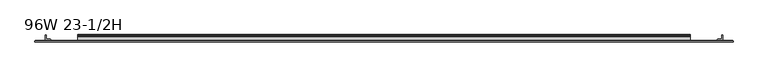
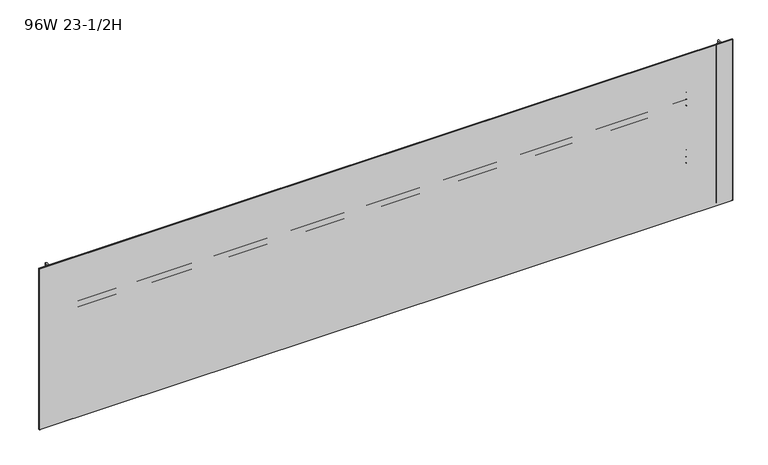
"""IFC4 building model written with IfcOpenShell, lengths in millimetres: furniture geometry, 96W 23-1/2H."""

from ifc_helpers import new_model, si_unit, point, frame, frame_2d, origin, place, context, project, spatial, polyline, circle_curve, trimmed, segment, composite_curve, outline, extrude, faceted_brep, source, transform, mapped, element, save


def furniture_96w_23_1_2h_a54c2da4(model_context):
    return source(origin(), model_context, "Body", "SolidModel", [
        extrude(outline(composite_curve([segment(polyline([(-5.2324, 902.4059175), (-5.2324, 923.5244434)]), True, "CONTINUOUS"), segment(trimmed(circle_curve(frame_2d((-4.677496, 923.5244434)), 0.554904), [point((-5.2324, 923.5244434))], [point((-4.5338691, 924.0604377))], False, "CARTESIAN"), True, "CONTINUOUS"), segment(polyline([(-4.5338691, 924.0604377), (-3.3274001, 923.7371481), (-2.3976956, 922.807481), (-2.0574001, 921.5374277), (-2.0574001, 908.7676431)]), True, "CONTINUOUS"), segment(trimmed(circle_curve(frame_2d((-1.4921701, 908.7676431)), 0.5652299), [point((-2.0574001, 908.7676431))], [point((-1.4921701, 908.2024132))], True, "CARTESIAN"), True, "CONTINUOUS"), segment(polyline([(-1.4921701, 908.2024132), (0.5143951, 908.2024132)]), True, "CONTINUOUS"), segment(trimmed(circle_curve(frame_2d((0.5143951, 907.5992083)), 0.6032049), [point((0.5143951, 908.2024132))], [point((1.1176, 907.5992083))], False, "CARTESIAN"), True, "CONTINUOUS"), segment(polyline([(1.1176, 907.5992083), (1.1176, 876.4846046)]), True, "CONTINUOUS"), segment(trimmed(circle_curve(frame_2d((0.6637885, 879.1738096)), 2.7272272), [point((1.1176, 876.4846046))], [point((-2.0574001, 878.9924229))], False, "CARTESIAN"), True, "CONTINUOUS"), segment(polyline([(-2.0574001, 878.9924229), (-2.0574001, 901.3081717)]), True, "CONTINUOUS"), segment(trimmed(circle_curve(frame_2d((-2.6016657, 901.3081717)), 0.5442657), [point((-2.0574001, 901.3081717))], [point((-2.6016657, 901.8524374))], True, "CARTESIAN"), True, "CONTINUOUS"), segment(polyline([(-2.6016657, 901.8524374), (-4.6789199, 901.8524374)]), True, "CONTINUOUS"), segment(trimmed(circle_curve(frame_2d((-4.6789199, 902.4059175)), 0.5534801), [point((-4.6789199, 901.8524374))], [point((-5.2324, 902.4059175))], False, "CARTESIAN"), True, "CONTINUOUS")], self_intersect=False)), frame((152.4, 0.0, 0.0), z_axis=(1.0, 0.0, 0.0), x_axis=(0.0, 1.0, 0.0)), (0.0, 0.0, 1.0), 2133.6),
        extrude(outline(composite_curve([segment(polyline([(-7.1373999, 955.8274132), (-4.5974, 955.1468588), (-2.7379909, 953.2874519), (-2.0574001, 950.747418), (-2.0574001, 929.1337352)]), True, "CONTINUOUS"), segment(trimmed(circle_curve(frame_2d((-1.4969277, 929.1337352)), 0.5604724), [point((-2.0574001, 929.1337352))], [point((-1.4969277, 928.5732628))], True, "CARTESIAN"), True, "CONTINUOUS"), segment(polyline([(-1.4969277, 928.5732628), (0.4039455, 928.5732628)]), True, "CONTINUOUS"), segment(trimmed(circle_curve(frame_2d((0.4039455, 927.8596084)), 0.7136544), [point((0.4039455, 928.5732628))], [point((1.1176, 927.8596084))], False, "CARTESIAN"), True, "CONTINUOUS"), segment(polyline([(1.1176, 927.8596084), (1.1176, 909.5034694)]), True, "CONTINUOUS"), segment(trimmed(circle_curve(frame_2d((0.4746932, 909.5034694)), 0.6429068), [point((1.1176, 909.5034694))], [point((-0.1003385, 909.2159495))], False, "CARTESIAN"), True, "CONTINUOUS"), segment(polyline([(-0.1003385, 909.2159495), (-1.8183367, 912.6518984)]), True, "CONTINUOUS"), segment(trimmed(circle_curve(frame_2d((0.2069874, 913.6645745)), 2.2643874), [point((-1.8183367, 912.6518984))], [point((-2.0574001, 913.6645745))], False, "CARTESIAN"), True, "CONTINUOUS"), segment(polyline([(-2.0574001, 913.6645745), (-2.0574001, 923.3402528)]), True, "CONTINUOUS"), segment(trimmed(circle_curve(frame_2d((-2.7946089, 923.3402528)), 0.7372088), [point((-2.0574001, 923.3402528))], [point((-2.7946089, 924.0774616))], True, "CARTESIAN"), True, "CONTINUOUS"), segment(polyline([(-2.7946089, 924.0774616), (-19.4564001, 924.0774616), (-19.4564001, 955.8274132), (-7.1373999, 955.8274132)]), True, "CONTINUOUS")], self_intersect=False), holes=[composite_curve([segment(trimmed(circle_curve(frame_2d((-13.0222745, 950.5363262)), 2.7511257), [point((-13.0222745, 953.2874519))], [point((-15.7734002, 950.5363262))], True, "CARTESIAN"), True, "CONTINUOUS"), segment(polyline([(-15.7734002, 950.5363262), (-15.7734002, 929.2014781)]), True, "CONTINUOUS"), segment(trimmed(circle_curve(frame_2d((-13.189345, 929.2014781)), 2.5840552), [point((-15.7734002, 929.2014781))], [point((-13.189345, 926.6174229))], True, "CARTESIAN"), True, "CONTINUOUS"), segment(polyline([(-13.189345, 926.6174229), (-7.4218653, 926.6174229)]), True, "CONTINUOUS"), segment(trimmed(circle_curve(frame_2d((-7.4218653, 929.4418881)), 2.8244652), [point((-7.4218653, 926.6174229))], [point((-4.5974, 929.4418881))], True, "CARTESIAN"), True, "CONTINUOUS"), segment(polyline([(-4.5974, 929.4418881), (-4.5974, 950.6103081)]), True, "CONTINUOUS"), segment(trimmed(circle_curve(frame_2d((-7.2745438, 950.6103081)), 2.6771438), [point((-4.5974, 950.6103081))], [point((-7.2745438, 953.2874519))], True, "CARTESIAN"), True, "CONTINUOUS"), segment(polyline([(-7.2745438, 953.2874519), (-13.0222745, 953.2874519)]), True, "CONTINUOUS")], self_intersect=False)]), frame((152.4, 0.0, 0.0), z_axis=(1.0, 0.0, 0.0), x_axis=(0.0, 1.0, 0.0)), (0.0, 0.0, 1.0), 2133.6),
        extrude(outline(composite_curve([segment(polyline([(-5.2324, 1115.1182044), (-5.2324, 1136.2367302)]), True, "CONTINUOUS"), segment(trimmed(circle_curve(frame_2d((-4.677496, 1136.2367302)), 0.554904), [point((-5.2324, 1136.2367302))], [point((-4.5338691, 1136.7727245))], False, "CARTESIAN"), True, "CONTINUOUS"), segment(polyline([(-4.5338691, 1136.7727245), (-3.3274001, 1136.4494349), (-2.3976956, 1135.5197678), (-2.0574001, 1134.2497145), (-2.0574001, 1121.4799299)]), True, "CONTINUOUS"), segment(trimmed(circle_curve(frame_2d((-1.4921701, 1121.4799299)), 0.5652299), [point((-2.0574001, 1121.4799299))], [point((-1.4921701, 1120.9147))], True, "CARTESIAN"), True, "CONTINUOUS"), segment(polyline([(-1.4921701, 1120.9147), (0.5143951, 1120.9147)]), True, "CONTINUOUS"), segment(trimmed(circle_curve(frame_2d((0.5143951, 1120.3114951)), 0.6032049), [point((0.5143951, 1120.9147))], [point((1.1176, 1120.3114951))], False, "CARTESIAN"), True, "CONTINUOUS"), segment(polyline([(1.1176, 1120.3114951), (1.1176, 1089.1968914)]), True, "CONTINUOUS"), segment(trimmed(circle_curve(frame_2d((0.6637885, 1091.8860964)), 2.7272272), [point((1.1176, 1089.1968914))], [point((-2.0574001, 1091.7047097))], False, "CARTESIAN"), True, "CONTINUOUS"), segment(polyline([(-2.0574001, 1091.7047097), (-2.0574001, 1114.0204586)]), True, "CONTINUOUS"), segment(trimmed(circle_curve(frame_2d((-2.6016657, 1114.0204586)), 0.5442657), [point((-2.0574001, 1114.0204586))], [point((-2.6016657, 1114.5647242))], True, "CARTESIAN"), True, "CONTINUOUS"), segment(polyline([(-2.6016657, 1114.5647242), (-4.6789199, 1114.5647242)]), True, "CONTINUOUS"), segment(trimmed(circle_curve(frame_2d((-4.6789199, 1115.1182044)), 0.5534801), [point((-4.6789199, 1114.5647242))], [point((-5.2324, 1115.1182044))], False, "CARTESIAN"), True, "CONTINUOUS")], self_intersect=False)), frame((152.4, 0.0, 0.0), z_axis=(1.0, 0.0, 0.0), x_axis=(0.0, 1.0, 0.0)), (0.0, 0.0, 1.0), 2133.6),
        extrude(outline(composite_curve([segment(polyline([(-7.1373999, 1168.5397), (-4.5974, 1167.8591456), (-2.7379909, 1165.9997388), (-2.0574001, 1163.4597048), (-2.0574001, 1141.846022)]), True, "CONTINUOUS"), segment(trimmed(circle_curve(frame_2d((-1.4969277, 1141.846022)), 0.5604724), [point((-2.0574001, 1141.846022))], [point((-1.4969277, 1141.2855496))], True, "CARTESIAN"), True, "CONTINUOUS"), segment(polyline([(-1.4969277, 1141.2855496), (0.4039455, 1141.2855496)]), True, "CONTINUOUS"), segment(trimmed(circle_curve(frame_2d((0.4039455, 1140.5718952)), 0.7136544), [point((0.4039455, 1141.2855496))], [point((1.1176, 1140.5718952))], False, "CARTESIAN"), True, "CONTINUOUS"), segment(polyline([(1.1176, 1140.5718952), (1.1176, 1122.2157562)]), True, "CONTINUOUS"), segment(trimmed(circle_curve(frame_2d((0.4746932, 1122.2157562)), 0.6429068), [point((1.1176, 1122.2157562))], [point((-0.1003385, 1121.9282364))], False, "CARTESIAN"), True, "CONTINUOUS"), segment(polyline([(-0.1003385, 1121.9282364), (-1.8183367, 1125.3641852)]), True, "CONTINUOUS"), segment(trimmed(circle_curve(frame_2d((0.2069874, 1126.3768613)), 2.2643874), [point((-1.8183367, 1125.3641852))], [point((-2.0574001, 1126.3768613))], False, "CARTESIAN"), True, "CONTINUOUS"), segment(polyline([(-2.0574001, 1126.3768613), (-2.0574001, 1136.0525396)]), True, "CONTINUOUS"), segment(trimmed(circle_curve(frame_2d((-2.7946089, 1136.0525396)), 0.7372088), [point((-2.0574001, 1136.0525396))], [point((-2.7946089, 1136.7897484))], True, "CARTESIAN"), True, "CONTINUOUS"), segment(polyline([(-2.7946089, 1136.7897484), (-19.4564001, 1136.7897484), (-19.4564001, 1168.5397), (-7.1373999, 1168.5397)]), True, "CONTINUOUS")], self_intersect=False), holes=[composite_curve([segment(trimmed(circle_curve(frame_2d((-13.0222745, 1163.248613)), 2.7511257), [point((-13.0222745, 1165.9997388))], [point((-15.7734002, 1163.248613))], True, "CARTESIAN"), True, "CONTINUOUS"), segment(polyline([(-15.7734002, 1163.248613), (-15.7734002, 1141.9137649)]), True, "CONTINUOUS"), segment(trimmed(circle_curve(frame_2d((-13.189345, 1141.9137649)), 2.5840552), [point((-15.7734002, 1141.9137649))], [point((-13.189345, 1139.3297097))], True, "CARTESIAN"), True, "CONTINUOUS"), segment(polyline([(-13.189345, 1139.3297097), (-7.4218653, 1139.3297097)]), True, "CONTINUOUS"), segment(trimmed(circle_curve(frame_2d((-7.4218653, 1142.1541749)), 2.8244652), [point((-7.4218653, 1139.3297097))], [point((-4.5974, 1142.1541749))], True, "CARTESIAN"), True, "CONTINUOUS"), segment(polyline([(-4.5974, 1142.1541749), (-4.5974, 1163.322595)]), True, "CONTINUOUS"), segment(trimmed(circle_curve(frame_2d((-7.2745438, 1163.322595)), 2.6771438), [point((-4.5974, 1163.322595))], [point((-7.2745438, 1165.9997388))], True, "CARTESIAN"), True, "CONTINUOUS"), segment(polyline([(-7.2745438, 1165.9997388), (-13.0222745, 1165.9997388)]), True, "CONTINUOUS")], self_intersect=False)]), frame((152.4, 0.0, 0.0), z_axis=(1.0, 0.0, 0.0), x_axis=(0.0, 1.0, 0.0)), (0.0, 0.0, 1.0), 2133.6),
        extrude(outline(composite_curve([segment(trimmed(circle_curve(frame_2d((2399.7524764, -18.9088765)), 0.5475236), [point((2400.3, -18.9088765))], [point((2399.7524764, -19.4564001))], False, "CARTESIAN"), True, "CONTINUOUS"), segment(polyline([(2399.7524764, -19.4564001), (2381.8113866, -19.4564001)]), True, "CONTINUOUS"), segment(trimmed(circle_curve(frame_2d((2381.8113866, -18.8950135)), 0.5613866), [point((2381.8113866, -19.4564001))], [point((2381.25, -18.8950135))], False, "CARTESIAN"), True, "CONTINUOUS"), segment(polyline([(2381.25, -18.8950135), (2381.25, -16.8669745)]), True, "CONTINUOUS"), segment(trimmed(circle_curve(frame_2d((2383.8294745, -16.8669745)), 2.5794745), [point((2381.25, -16.8669745))], [point((2383.8294745, -14.2875))], False, "CARTESIAN"), True, "CONTINUOUS"), segment(polyline([(2383.8294745, -14.2875), (2394.8787912, -14.2875)]), True, "CONTINUOUS"), segment(trimmed(circle_curve(frame_2d((2394.8787912, -13.6414903)), 0.6460097), [point((2394.8787912, -14.2875))], [point((2395.5248009, -13.6414903))], True, "CARTESIAN"), True, "CONTINUOUS"), segment(polyline([(2395.5248009, -13.6414903), (2395.5248009, -2.768893)]), True, "CONTINUOUS"), segment(trimmed(circle_curve(frame_2d((2398.2936939, -2.768893)), 2.768893), [point((2395.5248009, -2.768893))], [point((2398.2936939, 0.0))], False, "CARTESIAN"), True, "CONTINUOUS"), segment(polyline([(2398.2936939, 0.0), (2399.7082199, 0.0)]), True, "CONTINUOUS"), segment(trimmed(circle_curve(frame_2d((2399.7082199, -0.5917801)), 0.5917801), [point((2399.7082199, 0.0))], [point((2400.3, -0.5917801))], False, "CARTESIAN"), True, "CONTINUOUS"), segment(polyline([(2400.3, -0.5917801), (2400.3, -18.9088765)]), True, "CONTINUOUS")], self_intersect=False)), frame((0.0, 0.0, 728.98), z_axis=(0.0, 0.0, 1.0), x_axis=(1.0, 0.0, 0.0)), (0.0, 0.0, 1.0), 587.3623),
        extrude(outline(composite_curve([segment(polyline([(38.1, -18.9088765), (38.1, -0.5917801)]), True, "CONTINUOUS"), segment(trimmed(circle_curve(frame_2d((38.6917801, -0.5917801)), 0.5917801), [point((38.1, -0.5917801))], [point((38.6917801, 0.0))], False, "CARTESIAN"), True, "CONTINUOUS"), segment(polyline([(38.6917801, 0.0), (40.1063061, 0.0)]), True, "CONTINUOUS"), segment(trimmed(circle_curve(frame_2d((40.1063061, -2.768893)), 2.768893), [point((40.1063061, 0.0))], [point((42.8751991, -2.768893))], False, "CARTESIAN"), True, "CONTINUOUS"), segment(polyline([(42.8751991, -2.768893), (42.8751991, -13.6414903)]), True, "CONTINUOUS"), segment(trimmed(circle_curve(frame_2d((43.5212088, -13.6414903)), 0.6460097), [point((42.8751991, -13.6414903))], [point((43.5212088, -14.2875))], True, "CARTESIAN"), True, "CONTINUOUS"), segment(polyline([(43.5212088, -14.2875), (54.5705255, -14.2875)]), True, "CONTINUOUS"), segment(trimmed(circle_curve(frame_2d((54.5705255, -16.8669745)), 2.5794745), [point((54.5705255, -14.2875))], [point((57.15, -16.8669745))], False, "CARTESIAN"), True, "CONTINUOUS"), segment(polyline([(57.15, -16.8669745), (57.15, -18.8950135)]), True, "CONTINUOUS"), segment(trimmed(circle_curve(frame_2d((56.5886134, -18.8950135)), 0.5613866), [point((57.15, -18.8950135))], [point((56.5886134, -19.4564001))], False, "CARTESIAN"), True, "CONTINUOUS"), segment(polyline([(56.5886134, -19.4564001), (38.6475236, -19.4564001)]), True, "CONTINUOUS"), segment(trimmed(circle_curve(frame_2d((38.6475236, -18.9088765)), 0.5475236), [point((38.6475236, -19.4564001))], [point((38.1, -18.9088765))], False, "CARTESIAN"), True, "CONTINUOUS")], self_intersect=False)), frame((0.0, 0.0, 728.98), z_axis=(0.0, 0.0, 1.0), x_axis=(1.0, 0.0, 0.0)), (0.0, 0.0, 1.0), 587.3623),
        extrude(outline(polyline([(2431.0975002, -20.0634601), (7.3024998, -20.0634601), (7.3024998, -19.4564001), (2431.0975002, -19.4564001), (2431.0975002, -20.0634601)])), frame((0.0, 0.0, 728.98), z_axis=(0.0, 0.0, 1.0), x_axis=(1.0, 0.0, 0.0)), (0.0, 0.0, 1.0), 587.3623),
        faceted_brep([(2435.8600024, -24.0512595, 1321.1048), (2435.8600024, -20.8508598, 1321.1048), (2.5400001, -20.8508598, 1321.1048), (2.5400001, -24.0512595, 1321.1048), (2.5400001, -24.0512595, 724.2048), (2.5400001, -20.8508598, 724.2048), (2435.8600024, -20.8508598, 724.2048), (2435.8600024, -24.0512595, 724.2048), (3.3274521, -24.8386592, 1320.3173481), (3.3274521, -24.8386592, 724.9922519), (2435.0725505, -24.8386592, 724.9922519), (2435.0725505, -24.8386592, 1320.3173481), (3.3274521, -20.0634601, 724.9922519), (3.3274521, -20.0634601, 1320.3173481), (2435.0725505, -20.0634601, 1320.3173481), (2435.0725505, -20.0634601, 724.9922519)], [[[0, 1, 2, 3]], [[4, 5, 6, 7]], [[8, 9, 10, 11]], [[1, 0, 7, 6]], [[12, 13, 14, 15]], [[3, 2, 5, 4]], [[12, 5, 2, 13]], [[4, 9, 8, 3]], [[5, 12, 15, 6]], [[9, 4, 7, 10]], [[6, 15, 14, 1]], [[10, 7, 0, 11]], [[13, 2, 1, 14]], [[3, 8, 11, 0]]]),
    ])


if __name__ == "__main__":
    model = new_model("IFC4")
    model_context = context("Model", 3, world=origin())
    ifc_project = project(units=[si_unit("LENGTHUNIT", "METRE", prefix="MILLI")], contexts=[model_context])
    site = spatial("IfcSite", under=ifc_project)
    building = spatial("IfcBuilding", under=site)
    placement = place(None, origin())
    furniture_96w_23_1_2h_shape = furniture_96w_23_1_2h_a54c2da4(model_context)
    element("IfcFurniture", 1, ObjectType="96W 23-1/2H", at=placement, inside=building, context=model_context, shape_type="MappedRepresentation", body=[
        mapped(furniture_96w_23_1_2h_shape, transform((0.0, 0.0, 0.0), x_axis=(1.0, 0.0, 0.0), y_axis=(0.0, 1.0, 0.0), z_axis=(0.0, 0.0, 1.0))),
    ])
    save(model, "model.ifc")
